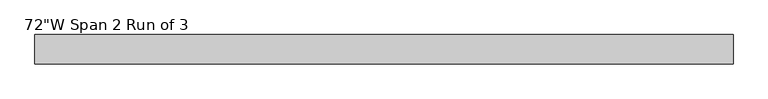
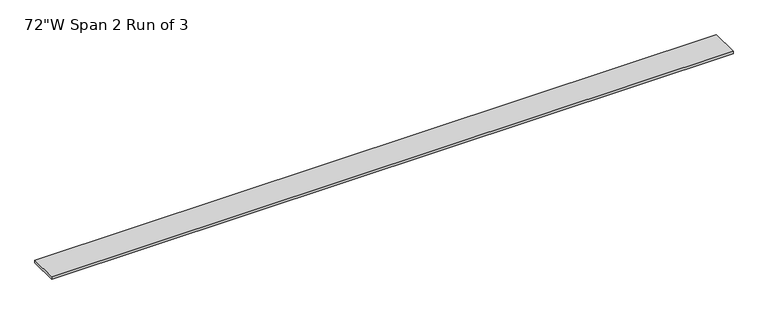
"""IFC4 building model written with IfcOpenShell, lengths in millimetres: furniture geometry."""

from ifc_helpers import new_model, si_unit, frame, origin, place, context, project, spatial, polyline, outline, extrude, source, transform, mapped, element, save


def furniture_73da6573(model_context):
    return source(origin(), model_context, "Body", "SweptSolid", [
        extrude(outline(polyline([(858.41205, 38.735), (858.41205, -38.735), (-970.38795, -38.735), (-970.38795, 38.735), (858.41205, 38.735)])), frame((0.0, 0.0, 1150.366), z_axis=(0.0, 0.0, 1.0), x_axis=(1.0, 0.0, 0.0)), (0.0, 0.0, 1.0), 6.858),
    ])


if __name__ == "__main__":
    model = new_model("IFC4")
    model_context = context("Model", 3, world=origin())
    ifc_project = project(units=[si_unit("LENGTHUNIT", "METRE", prefix="MILLI")], contexts=[model_context])
    site = spatial("IfcSite", under=ifc_project)
    building = spatial("IfcBuilding", under=site)
    placement = place(None, origin())
    furniture_shape = furniture_73da6573(model_context)
    element("IfcFurniture", 1, ObjectType="72\"W Span 2 Run of 3", at=placement, inside=building, context=model_context, shape_type="MappedRepresentation", body=[
        mapped(furniture_shape, transform((0.0, 0.0, 0.0), x_axis=(1.0, 0.0, 0.0), y_axis=(0.0, 1.0, 0.0), z_axis=(0.0, 0.0, 1.0))),
    ])
    save(model, "model.ifc")
